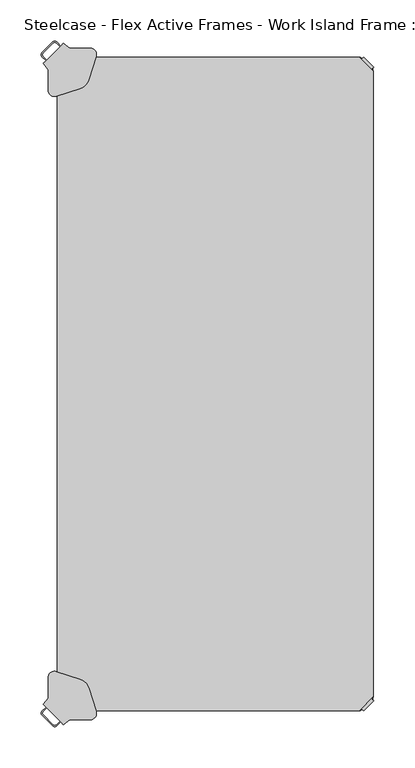
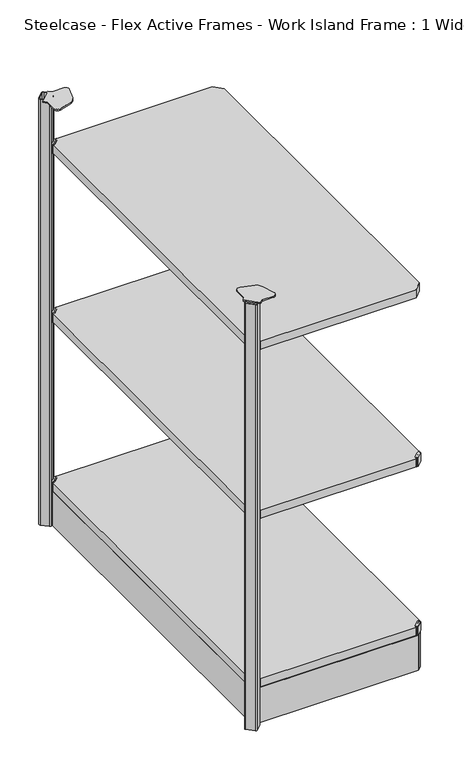
"""IFC4 building model written with IfcOpenShell, lengths in millimetres: furniture geometry, Steelcase - Flex Active Frames - Work Island Frame : 1 Wide - 2 Deep 2."""

from ifc_helpers import new_model, si_unit, point, frame, frame_2d, origin, place, context, project, spatial, polyline, circle_curve, trimmed, segment, composite_curve, outline, extrude, source, transform, mapped, element, save
from ifc_brep_helpers import plane_surface, cylinder_surface, revolved_surface, advanced_brep


def steelcase_flex_active_frames_work_island_frame_1_wide_2_deep_322297c8(model_context):
    return source(origin(), model_context, "Body", "SolidModel", [
        extrude(outline(composite_curve([segment(polyline([(369.3964357, -1.93874), (371.4844011, 0.1493247), (383.6787028, -12.044977), (381.590772, -14.1329326), (383.5617057, -16.1038431), (383.5495198, -17.203916), (380.8143812, -16.8384277)]), True, "CONTINUOUS"), segment(trimmed(circle_curve(frame_2d((381.6554366, -10.5443729)), 6.35), [point((380.8143812, -16.8384277))], [point((377.1652784, -15.0344708))], False, "CARTESIAN"), True, "CONTINUOUS"), segment(polyline([(377.1652784, -15.0344708), (368.4959854, -6.3650612)]), True, "CONTINUOUS"), segment(trimmed(circle_curve(frame_2d((372.9861436, -1.8749633)), 6.35), [point((368.4959854, -6.3650612))], [point((366.6921123, -2.7161946))], False, "CARTESIAN"), True, "CONTINUOUS"), segment(polyline([(366.6921123, -2.7161946), (366.32654, 0.0189911), (367.4264729, 0.0311996), (369.3964357, -1.93874)]), True, "CONTINUOUS")], self_intersect=False)), frame((0.0, 0.0, 496.4821468), z_axis=(0.0, 0.0, 1.0), x_axis=(1.0, 0.0, 0.0)), (0.0, 0.0, 1.0), 20.2281258),
        extrude(outline(composite_curve([segment(polyline([(369.3964357, -790.54126), (367.4264729, -792.5111996), (366.32654, -792.4989911), (366.6921123, -789.7638054)]), True, "CONTINUOUS"), segment(trimmed(circle_curve(frame_2d((372.9861436, -790.6050367)), 6.35), [point((366.6921123, -789.7638054))], [point((368.4959854, -786.1149388))], False, "CARTESIAN"), True, "CONTINUOUS"), segment(polyline([(368.4959854, -786.1149388), (377.1652784, -777.4455292)]), True, "CONTINUOUS"), segment(trimmed(circle_curve(frame_2d((381.6554366, -781.9356271)), 6.35), [point((377.1652784, -777.4455292))], [point((380.8143812, -775.6415723))], False, "CARTESIAN"), True, "CONTINUOUS"), segment(polyline([(380.8143812, -775.6415723), (383.5495198, -775.276084), (383.5617057, -776.3761569), (381.590772, -778.3470674), (383.6787028, -780.435023), (371.4844011, -792.6293247), (369.3964357, -790.54126)]), True, "CONTINUOUS")], self_intersect=False)), frame((0.0, 0.0, 496.4821468), z_axis=(0.0, 0.0, 1.0), x_axis=(1.0, 0.0, 0.0)), (0.0, 0.0, 1.0), 20.2281258),
        extrude(outline(composite_curve([segment(polyline([(369.3964357, -1.93874), (371.4844011, 0.1493247), (383.6787028, -12.044977), (381.590772, -14.1329326), (383.5617057, -16.1038431), (383.5495198, -17.203916), (380.8143812, -16.8384277)]), True, "CONTINUOUS"), segment(trimmed(circle_curve(frame_2d((381.6554366, -10.5443729)), 6.35), [point((380.8143812, -16.8384277))], [point((377.1652784, -15.0344708))], False, "CARTESIAN"), True, "CONTINUOUS"), segment(polyline([(377.1652784, -15.0344708), (368.4959854, -6.3650612)]), True, "CONTINUOUS"), segment(trimmed(circle_curve(frame_2d((372.9861436, -1.8749633)), 6.35), [point((368.4959854, -6.3650612))], [point((366.6921123, -2.7161946))], False, "CARTESIAN"), True, "CONTINUOUS"), segment(polyline([(366.6921123, -2.7161946), (366.32654, 0.0189911), (367.4264729, 0.0311996), (369.3964357, -1.93874)]), True, "CONTINUOUS")], self_intersect=False)), frame((0.0, 0.0, 96.4824829), z_axis=(0.0, 0.0, 1.0), x_axis=(1.0, 0.0, 0.0)), (0.0, 0.0, 1.0), 20.2281258),
        extrude(outline(composite_curve([segment(polyline([(369.3964357, -790.54126), (367.4264729, -792.5111996), (366.32654, -792.4989911), (366.6921123, -789.7638054)]), True, "CONTINUOUS"), segment(trimmed(circle_curve(frame_2d((372.9861436, -790.6050367)), 6.35), [point((366.6921123, -789.7638054))], [point((368.4959854, -786.1149388))], False, "CARTESIAN"), True, "CONTINUOUS"), segment(polyline([(368.4959854, -786.1149388), (377.1652784, -777.4455292)]), True, "CONTINUOUS"), segment(trimmed(circle_curve(frame_2d((381.6554366, -781.9356271)), 6.35), [point((377.1652784, -777.4455292))], [point((380.8143812, -775.6415723))], False, "CARTESIAN"), True, "CONTINUOUS"), segment(polyline([(380.8143812, -775.6415723), (383.5495198, -775.276084), (383.5617057, -776.3761569), (381.590772, -778.3470674), (383.6787028, -780.435023), (371.4844011, -792.6293247), (369.3964357, -790.54126)]), True, "CONTINUOUS")], self_intersect=False)), frame((0.0, 0.0, 96.4824829), z_axis=(0.0, 0.0, 1.0), x_axis=(1.0, 0.0, 0.0)), (0.0, 0.0, 1.0), 20.2281258),
        extrude(outline(polyline([(0.0003876, -775.2859914), (0.0003876, -17.1940086), (17.1943962, 0.0), (366.3456038, 0.0), (383.5396124, -17.1940086), (383.5396124, -775.2859914), (366.3456038, -792.48), (17.1943962, -792.48), (0.0003876, -775.2859914)])), frame((0.0, 0.0, 97.4999596), z_axis=(0.0, 0.0, 1.0), x_axis=(1.0, 0.0, 0.0)), (0.0, 0.0, 1.0), 19.0000031),
        extrude(outline(composite_curve([segment(polyline([(14.1435643, -1.93874), (16.1135271, 0.0311996), (17.21346, 0.0189911), (16.8478877, -2.7161946)]), True, "CONTINUOUS"), segment(trimmed(circle_curve(frame_2d((10.5538564, -1.8749633)), 6.35), [point((16.8478877, -2.7161946))], [point((15.0440146, -6.3650612))], False, "CARTESIAN"), True, "CONTINUOUS"), segment(polyline([(15.0440146, -6.3650612), (6.3747216, -15.0344708)]), True, "CONTINUOUS"), segment(trimmed(circle_curve(frame_2d((1.8845634, -10.5443729)), 6.35), [point((6.3747216, -15.0344708))], [point((2.7256188, -16.8384277))], False, "CARTESIAN"), True, "CONTINUOUS"), segment(polyline([(2.7256188, -16.8384277), (-0.0095198, -17.203916), (-0.0217057, -16.1038431), (1.949228, -14.1329326), (-0.1387028, -12.044977), (12.0555989, 0.1493247), (14.1435643, -1.93874)]), True, "CONTINUOUS")], self_intersect=False)), frame((0.0, 0.0, 96.4824829), z_axis=(0.0, 0.0, 1.0), x_axis=(1.0, 0.0, 0.0)), (0.0, 0.0, 1.0), 20.2281258),
        extrude(outline(composite_curve([segment(polyline([(14.1435643, -790.54126), (12.0555989, -792.6293247), (-0.1387028, -780.435023), (1.949228, -778.3470674), (-0.0217057, -776.3761569), (-0.0095198, -775.276084), (2.7256188, -775.6415723)]), True, "CONTINUOUS"), segment(trimmed(circle_curve(frame_2d((1.8845634, -781.9356271)), 6.35), [point((2.7256188, -775.6415723))], [point((6.3747216, -777.4455292))], False, "CARTESIAN"), True, "CONTINUOUS"), segment(polyline([(6.3747216, -777.4455292), (15.0440146, -786.1149388)]), True, "CONTINUOUS"), segment(trimmed(circle_curve(frame_2d((10.5538564, -790.6050367)), 6.35), [point((15.0440146, -786.1149388))], [point((16.8478877, -789.7638054))], False, "CARTESIAN"), True, "CONTINUOUS"), segment(polyline([(16.8478877, -789.7638054), (17.21346, -792.4989911), (16.1135271, -792.5111996), (14.1435643, -790.54126)]), True, "CONTINUOUS")], self_intersect=False)), frame((0.0, 0.0, 96.4824829), z_axis=(0.0, 0.0, 1.0), x_axis=(1.0, 0.0, 0.0)), (0.0, 0.0, 1.0), 20.2281258),
        extrude(outline(polyline([(0.0003876, -775.2859914), (0.0003876, -17.1940086), (17.1943962, 0.0), (366.3456038, 0.0), (383.5396124, -17.1940086), (383.5396124, -775.2859914), (366.3456038, -792.48), (17.1943962, -792.48), (0.0003876, -775.2859914)])), frame((0.0, 0.0, 497.4996235), z_axis=(0.0, 0.0, 1.0), x_axis=(1.0, 0.0, 0.0)), (0.0, 0.0, 1.0), 19.0000031),
        extrude(outline(composite_curve([segment(polyline([(14.1435643, -1.93874), (16.1135271, 0.0311996), (17.21346, 0.0189911), (16.8478877, -2.7161946)]), True, "CONTINUOUS"), segment(trimmed(circle_curve(frame_2d((10.5538564, -1.8749633)), 6.35), [point((16.8478877, -2.7161946))], [point((15.0440146, -6.3650612))], False, "CARTESIAN"), True, "CONTINUOUS"), segment(polyline([(15.0440146, -6.3650612), (6.3747216, -15.0344708)]), True, "CONTINUOUS"), segment(trimmed(circle_curve(frame_2d((1.8845634, -10.5443729)), 6.35), [point((6.3747216, -15.0344708))], [point((2.7256188, -16.8384277))], False, "CARTESIAN"), True, "CONTINUOUS"), segment(polyline([(2.7256188, -16.8384277), (-0.0095198, -17.203916), (-0.0217057, -16.1038431), (1.949228, -14.1329326), (-0.1387028, -12.044977), (12.0555989, 0.1493247), (14.1435643, -1.93874)]), True, "CONTINUOUS")], self_intersect=False)), frame((0.0, 0.0, 496.4821468), z_axis=(0.0, 0.0, 1.0), x_axis=(1.0, 0.0, 0.0)), (0.0, 0.0, 1.0), 20.2281258),
        extrude(outline(composite_curve([segment(polyline([(14.1435643, -790.54126), (12.0555989, -792.6293247), (-0.1387028, -780.435023), (1.949228, -778.3470674), (-0.0217057, -776.3761569), (-0.0095198, -775.276084), (2.7256188, -775.6415723)]), True, "CONTINUOUS"), segment(trimmed(circle_curve(frame_2d((1.8845634, -781.9356271)), 6.35), [point((2.7256188, -775.6415723))], [point((6.3747216, -777.4455292))], False, "CARTESIAN"), True, "CONTINUOUS"), segment(polyline([(6.3747216, -777.4455292), (15.0440146, -786.1149388)]), True, "CONTINUOUS"), segment(trimmed(circle_curve(frame_2d((10.5538564, -790.6050367)), 6.35), [point((15.0440146, -786.1149388))], [point((16.8478877, -789.7638054))], False, "CARTESIAN"), True, "CONTINUOUS"), segment(polyline([(16.8478877, -789.7638054), (17.21346, -792.4989911), (16.1135271, -792.5111996), (14.1435643, -790.54126)]), True, "CONTINUOUS")], self_intersect=False)), frame((0.0, 0.0, 496.4821468), z_axis=(0.0, 0.0, 1.0), x_axis=(1.0, 0.0, 0.0)), (0.0, 0.0, 1.0), 20.2281258),
        extrude(outline(polyline([(0.0003876, -775.2859914), (0.0003876, -17.1940086), (17.1943962, 0.0), (366.3456038, 0.0), (383.5396124, -17.1940086), (383.5396124, -775.2859914), (366.3456038, -792.48), (17.1943962, -792.48), (0.0003876, -775.2859914)])), frame((0.0, 0.0, 897.4997719), z_axis=(0.0, 0.0, 1.0), x_axis=(1.0, 0.0, 0.0)), (0.0, 0.0, 1.0), 19.0000031),
        extrude(outline(composite_curve([segment(polyline([(14.1435643, -1.93874), (16.1135271, 0.0311996), (17.21346, 0.0189911), (16.8478877, -2.7161946)]), True, "CONTINUOUS"), segment(trimmed(circle_curve(frame_2d((10.5538564, -1.8749633)), 6.35), [point((16.8478877, -2.7161946))], [point((15.0440146, -6.3650612))], False, "CARTESIAN"), True, "CONTINUOUS"), segment(polyline([(15.0440146, -6.3650612), (6.3747216, -15.0344708)]), True, "CONTINUOUS"), segment(trimmed(circle_curve(frame_2d((1.8845634, -10.5443729)), 6.35), [point((6.3747216, -15.0344708))], [point((2.7256188, -16.8384277))], False, "CARTESIAN"), True, "CONTINUOUS"), segment(polyline([(2.7256188, -16.8384277), (-0.0095198, -17.203916), (-0.0217057, -16.1038431), (1.949228, -14.1329326), (-0.1387028, -12.044977), (12.0555989, 0.1493247), (14.1435643, -1.93874)]), True, "CONTINUOUS")], self_intersect=False)), frame((0.0, 0.0, 896.4822952), z_axis=(0.0, 0.0, 1.0), x_axis=(1.0, 0.0, 0.0)), (0.0, 0.0, 1.0), 20.2281258),
        extrude(outline(composite_curve([segment(polyline([(14.1435643, -790.54126), (12.0555989, -792.6293247), (-0.1387028, -780.435023), (1.949228, -778.3470674), (-0.0217057, -776.3761569), (-0.0095198, -775.276084), (2.7256188, -775.6415723)]), True, "CONTINUOUS"), segment(trimmed(circle_curve(frame_2d((1.8845634, -781.9356271)), 6.35), [point((2.7256188, -775.6415723))], [point((6.3747216, -777.4455292))], False, "CARTESIAN"), True, "CONTINUOUS"), segment(polyline([(6.3747216, -777.4455292), (15.0440146, -786.1149388)]), True, "CONTINUOUS"), segment(trimmed(circle_curve(frame_2d((10.5538564, -790.6050367)), 6.35), [point((15.0440146, -786.1149388))], [point((16.8478877, -789.7638054))], False, "CARTESIAN"), True, "CONTINUOUS"), segment(polyline([(16.8478877, -789.7638054), (17.21346, -792.4989911), (16.1135271, -792.5111996), (14.1435643, -790.54126)]), True, "CONTINUOUS")], self_intersect=False)), frame((0.0, 0.0, 896.4822952), z_axis=(0.0, 0.0, 1.0), x_axis=(1.0, 0.0, 0.0)), (0.0, 0.0, 1.0), 20.2281258),
        extrude(outline(composite_curve([segment(polyline([(12.155908, -1.0018273), (371.4065262, -1.0019264)]), True, "CONTINUOUS"), segment(trimmed(circle_curve(frame_2d((371.3840926, -3.5418273)), 2.54), [point((371.4065262, -1.0019264))], [point((373.1801439, -1.7457761))], False, "CARTESIAN"), True, "CONTINUOUS"), segment(polyline([(373.1801439, -1.7457761), (381.7884839, -10.3541161)]), True, "CONTINUOUS"), segment(trimmed(circle_curve(frame_2d((379.9924327, -12.1501673)), 2.54), [point((381.7884839, -10.3541161))], [point((382.5324327, -12.1501687))], False, "CARTESIAN"), True, "CONTINUOUS"), segment(polyline([(382.5324327, -12.1501687), (382.5322349, -780.3615295)]), True, "CONTINUOUS"), segment(trimmed(circle_curve(frame_2d((379.9924327, -780.3298327)), 2.54), [point((382.5322349, -780.3615295))], [point((381.7884839, -782.1258839))], False, "CARTESIAN"), True, "CONTINUOUS"), segment(polyline([(381.7884839, -782.1258839), (373.1801439, -790.7342239)]), True, "CONTINUOUS"), segment(trimmed(circle_curve(frame_2d((371.3840926, -788.9381727)), 2.54), [point((373.1801439, -790.7342239))], [point((371.4065262, -791.4780736))], False, "CARTESIAN"), True, "CONTINUOUS"), segment(polyline([(371.4065262, -791.4780736), (12.155908, -791.4781727)]), True, "CONTINUOUS"), segment(trimmed(circle_curve(frame_2d((12.1559074, -788.9381727)), 2.54), [point((12.155908, -791.4781727))], [point((10.3598561, -790.7342239))], False, "CARTESIAN"), True, "CONTINUOUS"), segment(polyline([(10.3598561, -790.7342239), (1.7515161, -782.1258839)]), True, "CONTINUOUS"), segment(trimmed(circle_curve(frame_2d((3.5475673, -780.3298327)), 2.54), [point((1.7515161, -782.1258839))], [point((1.0077651, -780.3615295))], False, "CARTESIAN"), True, "CONTINUOUS"), segment(polyline([(1.0077651, -780.3615295), (1.0075673, -12.1501687)]), True, "CONTINUOUS"), segment(trimmed(circle_curve(frame_2d((3.5475673, -12.1501673)), 2.54), [point((1.0075673, -12.1501687))], [point((1.7515161, -10.3541161))], False, "CARTESIAN"), True, "CONTINUOUS"), segment(polyline([(1.7515161, -10.3541161), (10.3598561, -1.7457761)]), True, "CONTINUOUS"), segment(trimmed(circle_curve(frame_2d((12.1559074, -3.5418273)), 2.54), [point((10.3598561, -1.7457761))], [point((12.155908, -1.0018273))], False, "CARTESIAN"), True, "CONTINUOUS")], self_intersect=False)), frame((0.0, 0.0, 12.5999909), z_axis=(0.0, 0.0, 1.0), x_axis=(1.0, 0.0, 0.0)), (0.0, 0.0, 1.0), 82.39977),
        advanced_brep(
        [(-18.5290767, 5.1536029, 1021.9997307), (-18.5290505, 0.8430799, 1021.9997307), (-13.6142669, -4.0716438, 1021.9997307), (-17.0652617, -7.5233295, 1021.9997307), (-10.9890821, -14.9855194, 1021.9997307), (-10.9889425, -40.0111633, 1021.9997307), (-1.0706201, -47.2762508, 1021.9997307), (27.4702561, -38.2473507, 1021.9997307), (38.2322093, -27.4842379, 1021.9997307), (47.258394, 1.0587489, 1021.9997307), (39.9930987, 10.9762884, 1021.9997307), (14.9749338, 10.9765587, 1021.9997307), (7.5669051, 17.1137694, 1021.9997307), (4.0570852, 13.6032467, 1021.9997307), (-0.8559936, 18.5163256, 1021.9997307), (-5.1665297, 18.5163124, 1021.9997307), (-16.5637788, 5.1536214, 1021.9997307), (-5.1663372, 16.5510629, 1021.9997307), (-0.8557986, 16.5510473, 1021.9997307), (3.0746134, 12.6205781, 1021.9997307), (-12.631731, -3.0889111, 1021.9997307), (-16.5637683, 0.843088, 1021.9997307), (-18.5290767, 5.1536029, 12.5999909), (-5.1665297, 18.5163124, 12.5999909), (-0.8559936, 18.5163256, 12.5999909), (12.5067035, 5.1536284, 12.5999909), (12.5067144, 0.8431164, 12.5999909), (-0.8557649, -12.5194983, 12.5999909), (-5.1662856, -12.5195224, 12.5999909), (-18.5290505, 0.8430799, 12.5999909), (-16.5637788, 5.1536214, 12.5999909), (-16.5637683, 0.843088, 12.5999909), (-5.16628, -10.5542897, 12.5999909), (-0.8557675, -10.5542792, 12.5999909), (10.5415357, 0.843024, 12.5999909), (10.5415514, 5.1535313, 12.5999909), (-0.8557986, 16.5510473, 12.5999909), (-5.1663372, 16.5510629, 12.5999909), (-5.1662856, -12.5195224, 1019.0034988), (-13.6142669, -4.0716438, 1019.0034988), (-0.8557649, -12.5194983, 1019.0034988), (12.5067144, 0.8431164, 1019.0034988), (12.5067035, 5.1536284, 1019.0034988), (4.0570852, 13.6032467, 1019.0034988), (10.5415514, 5.1535313, 1019.0034988), (3.0746134, 12.6205781, 1019.0034988), (10.5415357, 0.843024, 1019.0034988), (-0.8557675, -10.5542792, 1019.0034988), (-5.16628, -10.5542897, 1019.0034988), (-12.631731, -3.0889111, 1019.0034988), (7.5669051, 17.1137694, 1019.0034988), (14.9749338, 10.9765587, 1019.0034988), (39.9930987, 10.9762884, 1019.0034988), (47.258394, 1.0587489, 1019.0034988), (38.2322093, -27.4842379, 1019.0034988), (27.4702561, -38.2473507, 1019.0034988), (-1.0706201, -47.2762508, 1019.0034988), (-10.9889425, -40.0111633, 1019.0034988), (-10.9890821, -14.9855194, 1019.0034988), (-17.0652617, -7.5233295, 1019.0034988)],
        [
            (0, 1, circle_curve(frame((-16.3738021, 2.9983545, 1021.9997307), z_axis=(0.0, 0.0, 1.0), x_axis=(1.0, 0.0, 0.0)), 3.048)),
            (1, 2),
            (2, 3),
            (3, 4),
            (4, 5),
            (5, 6, circle_curve(frame((-3.3689425, -40.0111207, 1021.9997307), z_axis=(0.0, 0.0, 1.0), x_axis=(1.0, 0.0, 0.0)), 7.62)),
            (6, 7),
            (7, 8, circle_curve(frame((22.4905578, -22.5062356, 1021.9997307), z_axis=(0.0, 0.0, 1.0), x_axis=(1.0, 0.0, 0.0)), 16.51)),
            (8, 9),
            (9, 10, circle_curve(frame((39.9930164, 3.3562884, 1021.9997307), z_axis=(0.0, 0.0, 1.0), x_axis=(1.0, 0.0, 0.0)), 7.62)),
            (10, 11),
            (11, 12),
            (12, 13),
            (13, 14),
            (14, 15, circle_curve(frame((-3.0112551, 16.3610641, 1021.9997307), z_axis=(0.0, 0.0, 1.0), x_axis=(1.0, 0.0, 0.0)), 3.048)),
            (15, 0),
            (16, 17),
            (17, 18, circle_curve(frame((-3.0110758, 14.3958015, 1021.9997307), z_axis=(0.0, 0.0, -1.0), x_axis=(1.0, 0.0, 0.0)), 3.048)),
            (18, 19),
            (19, 20),
            (20, 21),
            (21, 16, circle_curve(frame((-14.4085173, 2.9983599, 1021.9997307), z_axis=(0.0, 0.0, -1.0), x_axis=(1.0, 0.0, 0.0)), 3.048)),
            (22, 23),
            (23, 24, circle_curve(frame((-3.0112551, 16.3610641, 12.5999909), z_axis=(0.0, 0.0, -1.0), x_axis=(1.0, 0.0, 0.0)), 3.048)),
            (24, 25),
            (25, 26, circle_curve(frame((10.351442, 2.998367, 12.5999909), z_axis=(0.0, 0.0, -1.0), x_axis=(1.0, 0.0, 0.0)), 3.048)),
            (26, 27),
            (27, 28, circle_curve(frame((-3.0110373, -10.3642478, 12.5999909), z_axis=(0.0, 0.0, -1.0), x_axis=(1.0, 0.0, 0.0)), 3.048)),
            (28, 29),
            (29, 22, circle_curve(frame((-16.3738021, 2.9983545, 12.5999909), z_axis=(0.0, 0.0, -1.0), x_axis=(1.0, 0.0, 0.0)), 3.048)),
            (30, 31, circle_curve(frame((-14.4085173, 2.9983599, 12.5999909), z_axis=(0.0, 0.0, 1.0), x_axis=(1.0, 0.0, 0.0)), 3.048)),
            (31, 32),
            (32, 33, circle_curve(frame((-3.011029, -8.3990177, 12.5999909), z_axis=(0.0, 0.0, 1.0), x_axis=(1.0, 0.0, 0.0)), 3.048)),
            (33, 34),
            (34, 35, circle_curve(frame((8.3862743, 2.9982855, 12.5999909), z_axis=(0.0, 0.0, 1.0), x_axis=(1.0, 0.0, 0.0)), 3.048)),
            (35, 36),
            (36, 37, circle_curve(frame((-3.0110758, 14.3958015, 12.5999909), z_axis=(0.0, 0.0, 1.0), x_axis=(1.0, 0.0, 0.0)), 3.048)),
            (37, 30),
            (0, 22),
            (29, 1),
            (28, 38),
            (38, 39),
            (39, 2),
            (27, 40),
            (40, 38, circle_curve(frame((-3.0110373, -10.3642478, 1019.0034988), z_axis=(0.0, 0.0, -1.0), x_axis=(1.0, 0.0, 0.0)), 3.048)),
            (26, 41),
            (41, 40),
            (25, 42),
            (42, 41, circle_curve(frame((10.351442, 2.998367, 1019.0034988), z_axis=(0.0, 0.0, -1.0), x_axis=(1.0, 0.0, 0.0)), 3.048)),
            (24, 14),
            (13, 43),
            (43, 42),
            (23, 15),
            (16, 30),
            (37, 17),
            (36, 18),
            (35, 44),
            (44, 45),
            (45, 19),
            (34, 46),
            (46, 44, circle_curve(frame((8.3862743, 2.9982855, 1019.0034988), z_axis=(0.0, 0.0, 1.0), x_axis=(1.0, 0.0, 0.0)), 3.048)),
            (33, 47),
            (47, 46),
            (32, 48),
            (48, 47, circle_curve(frame((-3.011029, -8.3990177, 1019.0034988), z_axis=(0.0, 0.0, 1.0), x_axis=(1.0, 0.0, 0.0)), 3.048)),
            (31, 21),
            (20, 49),
            (49, 48),
            (50, 51),
            (51, 52),
            (52, 53, circle_curve(frame((39.9930164, 3.3562884, 1019.0034988), z_axis=(0.0, 0.0, -1.0), x_axis=(1.0, 0.0, 0.0)), 7.62)),
            (53, 54),
            (54, 55, circle_curve(frame((22.4905578, -22.5062356, 1019.0034988), z_axis=(0.0, 0.0, -1.0), x_axis=(1.0, 0.0, 0.0)), 16.51)),
            (55, 56),
            (56, 57, circle_curve(frame((-3.3689425, -40.0111207, 1019.0034988), z_axis=(0.0, 0.0, -1.0), x_axis=(1.0, 0.0, 0.0)), 7.62)),
            (57, 58),
            (58, 59),
            (59, 39),
            (43, 50),
            (49, 45),
            (12, 50),
            (59, 3),
            (58, 4),
            (57, 5),
            (56, 6),
            (55, 7),
            (54, 8),
            (53, 9),
            (52, 10),
            (51, 11),
        ],
        [
            plane_surface(frame((-13.3258021, 2.9983545, 1021.9997307), z_axis=(0.0, 0.0, 1.0), x_axis=(0.0, 1.0, 0.0))),
            plane_surface(frame((-13.3258021, 2.9983545, 12.5999909), z_axis=(0.0, 0.0, -1.0), x_axis=(0.0, -1.0, 0.0))),
            cylinder_surface(frame((-16.3738021, 2.9983545, 12.5999909), z_axis=(0.0, 0.0, 1.0), x_axis=(1.0, 0.0, 0.0)), 3.048),
            plane_surface(frame((-18.5290505, 0.8430799, 1021.9997307), z_axis=(-0.7071024799413723, -0.7071110824055591, 0.0), x_axis=(0.0, 0.0, -1.0))),
            cylinder_surface(frame((-3.0110373, -10.3642478, 12.5999909), z_axis=(0.0, 0.0, 1.0), x_axis=(1.0, 0.0, 0.0)), 3.048),
            plane_surface(frame((-0.8557649, -12.5194983, 1021.9997307), z_axis=(0.7071103654975404, -0.7071031968573858, 0.0), x_axis=(0.0, 0.0, -1.0))),
            cylinder_surface(frame((10.351442, 2.998367, 12.5999909), z_axis=(0.0, 0.0, 1.0), x_axis=(1.0, 0.0, 0.0)), 3.048),
            plane_surface(frame((12.5067035, 5.1536284, 1021.9997307), z_axis=(0.7071067811865476, 0.7071067811865476, 0.0), x_axis=(0.0, 0.0, -1.0))),
            cylinder_surface(frame((-3.0112551, 16.3610641, 12.5999909), z_axis=(0.0, 0.0, 1.0), x_axis=(1.0, 0.0, 0.0)), 3.048),
            plane_surface(frame((-5.1665297, 18.5163124, 1021.9997307), z_axis=(-0.7071110823880841, 0.7071024799588475, 0.0), x_axis=(0.0, 0.0, -1.0))),
            plane_surface(frame((-16.5637788, 5.1536214, 1021.9997307), z_axis=(0.7071067811865476, -0.7071067811865476, 0.0), x_axis=(0.0, 0.0, -1.0))),
            revolved_surface(polyline([(0.036924200000000074, 14.3958015, 12.5999909), (0.036924200000000074, 14.3958015, 1021.9997307)]), (-3.0110758, 14.3958015, 0.0), (0.0, 0.0, -1.0)),
            plane_surface(frame((-0.8557986, 16.5510473, 1021.9997307), z_axis=(-0.7071119292163862, -0.7071016331192288, 0.0), x_axis=(0.0, 0.0, -1.0))),
            revolved_surface(polyline([(11.4342743, 2.9982855, 12.5999909), (11.4342743, 2.9982855, 1019.0034988)]), (8.3862743, 2.9982855, 0.0), (0.0, 0.0, -1.0)),
            plane_surface(frame((10.5415357, 0.843024, 1021.9997307), z_axis=(-0.7071067811865476, 0.7071067811865476, 0.0), x_axis=(0.0, 0.0, -1.0))),
            revolved_surface(polyline([(0.036970999999999865, -8.3990177, 12.5999909), (0.036970999999999865, -8.3990177, 1019.0034988)]), (-3.011029, -8.3990177, 0.0), (0.0, 0.0, -1.0)),
            plane_surface(frame((-5.16628, -10.5542897, 1021.9997307), z_axis=(0.7071033492041437, 0.707110213152294, 0.0), x_axis=(0.0, 0.0, -1.0))),
            revolved_surface(polyline([(-11.3605173, 2.9983599, 12.5999909), (-11.3605173, 2.9983599, 1021.9997307)]), (-14.4085173, 2.9983599, 0.0), (0.0, 0.0, -1.0)),
            plane_surface(frame((-5.2094931, 4.3348129, 1019.0034988), z_axis=(0.0, 0.0, -1.0), x_axis=(0.7070359925692735, 0.7071775627178667, 0.0))),
            plane_surface(frame((7.5669051, 17.1137694, 1021.9997307), z_axis=(-0.7071775627178667, 0.7070359925692735, 0.0), x_axis=(0.0, 0.0, -1.0))),
            plane_surface(frame((-17.0652617, -7.5233295, 1021.9997307), z_axis=(-0.7754447692196447, -0.631415402005599, 0.0), x_axis=(0.0, 0.0, -1.0))),
            plane_surface(frame((-10.9890821, -14.9855194, 1021.9997307), z_axis=(-0.9999999999844242, -5.581369368137547e-06, 0.0), x_axis=(0.0, 0.0, -1.0))),
            cylinder_surface(frame((-3.3689425, -40.0111207, 1019.0034988), z_axis=(0.0, 0.0, 1.0), x_axis=(1.0, 0.0, 0.0)), 7.62),
            plane_surface(frame((-1.0706201, -47.2762508, 1021.9997307), z_axis=(0.30161710398598673, -0.9534291387319282, 0.0), x_axis=(0.0, 0.0, -1.0))),
            cylinder_surface(frame((22.4905578, -22.5062356, 1019.0034988), z_axis=(0.0, 0.0, 1.0), x_axis=(1.0, 0.0, 0.0)), 16.51),
            plane_surface(frame((38.2322093, -27.4842379, 1021.9997307), z_axis=(0.9534616310857681, -0.30151437452842406, 0.0), x_axis=(0.0, 0.0, -1.0))),
            cylinder_surface(frame((39.9930164, 3.3562884, 1019.0034988), z_axis=(0.0, 0.0, 1.0), x_axis=(1.0, 0.0, 0.0)), 7.62),
            plane_surface(frame((39.9930987, 10.9762884, 1021.9997307), z_axis=(1.0801644007053796e-05, 0.9999999999416623, 0.0), x_axis=(0.0, 0.0, -1.0))),
            plane_surface(frame((14.9749338, 10.9765587, 1021.9997307), z_axis=(0.6379642264562713, 0.7700660009129422, 0.0), x_axis=(0.0, 0.0, -1.0))),
        ],
        [
            (0, [[1, 2, 3, 4, 5, 6, 7, 8, 9, 10, 11, 12, 13, 14, 15, 16], [17, 18, 19, 20, 21, 22]]),
            (1, [[23, 24, 25, 26, 27, 28, 29, 30], [31, 32, 33, 34, 35, 36, 37, 38]]),
            (2, [[-1, 39, -30, 40]]),
            (3, [[-29, 41, 42, 43, -2, -40]]),
            (4, [[-28, 44, 45, -41]]),
            (5, [[-27, 46, 47, -44]]),
            (6, [[-26, 48, 49, -46]]),
            (7, [[-25, 50, -14, 51, 52, -48]]),
            (8, [[-15, -50, -24, 53]]),
            (9, [[-16, -53, -23, -39]]),
            (10, [[-17, 54, -38, 55]]),
            (11, [[-18, -55, -37, 56]]),
            (12, [[-36, 57, 58, 59, -19, -56]]),
            (13, [[-35, 60, 61, -57]]),
            (14, [[-34, 62, 63, -60]]),
            (15, [[-33, 64, 65, -62]]),
            (16, [[-32, 66, -21, 67, 68, -64]]),
            (17, [[-22, -66, -31, -54]]),
            (18, [[69, 70, 71, 72, 73, 74, 75, 76, 77, 78, -42, -45, -47, -49, -52, 79]]),
            (18, [[80, -58, -61, -63, -65, -68]]),
            (19, [[-20, -59, -80, -67]]),
            (19, [[81, -79, -51, -13]]),
            (19, [[82, -3, -43, -78]]),
            (20, [[-4, -82, -77, 83]]),
            (21, [[-5, -83, -76, 84]]),
            (22, [[-6, -84, -75, 85]]),
            (23, [[-7, -85, -74, 86]]),
            (24, [[-8, -86, -73, 87]]),
            (25, [[-9, -87, -72, 88]]),
            (26, [[-10, -88, -71, 89]]),
            (27, [[-11, -89, -70, 90]]),
            (28, [[-12, -90, -69, -81]]),
        ],
    ),
        advanced_brep(
        [(-18.5290767, -797.6336029, 1021.9997307), (-5.1665297, -810.9963124, 1021.9997307), (-0.8559936, -810.9963256, 1021.9997307), (4.0570852, -806.0832467, 1021.9997307), (7.5669051, -809.5937694, 1021.9997307), (14.9749338, -803.4565587, 1021.9997307), (39.9930987, -803.4562884, 1021.9997307), (47.258394, -793.5387489, 1021.9997307), (38.2322093, -764.9957621, 1021.9997307), (27.4702561, -754.2326493, 1021.9997307), (-1.0706201, -745.2037492, 1021.9997307), (-10.9889425, -752.4688367, 1021.9997307), (-10.9890821, -777.4944806, 1021.9997307), (-17.0652617, -784.9566705, 1021.9997307), (-13.6142669, -788.4083562, 1021.9997307), (-18.5290505, -793.3230799, 1021.9997307), (-16.5637788, -797.6336214, 1021.9997307), (-16.5637683, -793.323088, 1021.9997307), (-12.631731, -789.3910889, 1021.9997307), (3.0746134, -805.1005781, 1021.9997307), (-0.8557986, -809.0310473, 1021.9997307), (-5.1663372, -809.0310629, 1021.9997307), (-18.5290767, -797.6336029, 12.5999909), (-18.5290505, -793.3230799, 12.5999909), (-5.1662856, -779.9604776, 12.5999909), (-0.8557649, -779.9605017, 12.5999909), (12.5067144, -793.3231164, 12.5999909), (12.5067035, -797.6336284, 12.5999909), (-0.8559936, -810.9963256, 12.5999909), (-5.1665297, -810.9963124, 12.5999909), (-16.5637788, -797.6336214, 12.5999909), (-5.1663372, -809.0310629, 12.5999909), (-0.8557986, -809.0310473, 12.5999909), (10.5415514, -797.6335313, 12.5999909), (10.5415357, -793.323024, 12.5999909), (-0.8557675, -781.9257208, 12.5999909), (-5.16628, -781.9257103, 12.5999909), (-16.5637683, -793.323088, 12.5999909), (12.5067035, -797.6336284, 1019.0034988), (4.0570852, -806.0832467, 1019.0034988), (12.5067144, -793.3231164, 1019.0034988), (-0.8557649, -779.9605017, 1019.0034988), (-5.1662856, -779.9604776, 1019.0034988), (-13.6142669, -788.4083562, 1019.0034988), (-5.16628, -781.9257103, 1019.0034988), (-12.631731, -789.3910889, 1019.0034988), (-0.8557675, -781.9257208, 1019.0034988), (10.5415357, -793.323024, 1019.0034988), (10.5415514, -797.6335313, 1019.0034988), (3.0746134, -805.1005781, 1019.0034988), (-17.0652617, -784.9566705, 1019.0034988), (-10.9890821, -777.4944806, 1019.0034988), (-10.9889425, -752.4688367, 1019.0034988), (-1.0706201, -745.2037492, 1019.0034988), (27.4702561, -754.2326493, 1019.0034988), (38.2322093, -764.9957621, 1019.0034988), (47.258394, -793.5387489, 1019.0034988), (39.9930987, -803.4562884, 1019.0034988), (14.9749338, -803.4565587, 1019.0034988), (7.5669051, -809.5937694, 1019.0034988)],
        [
            (0, 1),
            (1, 2, circle_curve(frame((-3.0112551, -808.8410641, 1021.9997307), z_axis=(0.0, 0.0, 1.0), x_axis=(1.0, 0.0, 0.0)), 3.048)),
            (2, 3),
            (3, 4),
            (4, 5),
            (5, 6),
            (6, 7, circle_curve(frame((39.9930164, -795.8362884, 1021.9997307), z_axis=(0.0, 0.0, 1.0), x_axis=(1.0, 0.0, 0.0)), 7.62)),
            (7, 8),
            (8, 9, circle_curve(frame((22.4905578, -769.9737644, 1021.9997307), z_axis=(0.0, 0.0, 1.0), x_axis=(1.0, 0.0, 0.0)), 16.51)),
            (9, 10),
            (10, 11, circle_curve(frame((-3.3689425, -752.4688793, 1021.9997307), z_axis=(0.0, 0.0, 1.0), x_axis=(1.0, 0.0, 0.0)), 7.62)),
            (11, 12),
            (12, 13),
            (13, 14),
            (14, 15),
            (15, 0, circle_curve(frame((-16.3738021, -795.4783545, 1021.9997307), z_axis=(0.0, 0.0, 1.0), x_axis=(1.0, 0.0, 0.0)), 3.048)),
            (16, 17, circle_curve(frame((-14.4085173, -795.4783599, 1021.9997307), z_axis=(0.0, 0.0, -1.0), x_axis=(1.0, 0.0, 0.0)), 3.048)),
            (17, 18),
            (18, 19),
            (19, 20),
            (20, 21, circle_curve(frame((-3.0110758, -806.8758015, 1021.9997307), z_axis=(0.0, 0.0, -1.0), x_axis=(1.0, 0.0, 0.0)), 3.048)),
            (21, 16),
            (22, 23, circle_curve(frame((-16.3738021, -795.4783545, 12.5999909), z_axis=(0.0, 0.0, -1.0), x_axis=(1.0, 0.0, 0.0)), 3.048)),
            (23, 24),
            (24, 25, circle_curve(frame((-3.0110373, -782.1157522, 12.5999909), z_axis=(0.0, 0.0, -1.0), x_axis=(1.0, 0.0, 0.0)), 3.048)),
            (25, 26),
            (26, 27, circle_curve(frame((10.351442, -795.478367, 12.5999909), z_axis=(0.0, 0.0, -1.0), x_axis=(1.0, 0.0, 0.0)), 3.048)),
            (27, 28),
            (28, 29, circle_curve(frame((-3.0112551, -808.8410641, 12.5999909), z_axis=(0.0, 0.0, -1.0), x_axis=(1.0, 0.0, 0.0)), 3.048)),
            (29, 22),
            (30, 31),
            (31, 32, circle_curve(frame((-3.0110758, -806.8758015, 12.5999909), z_axis=(0.0, 0.0, 1.0), x_axis=(1.0, 0.0, 0.0)), 3.048)),
            (32, 33),
            (33, 34, circle_curve(frame((8.3862743, -795.4782855, 12.5999909), z_axis=(0.0, 0.0, 1.0), x_axis=(1.0, 0.0, 0.0)), 3.048)),
            (34, 35),
            (35, 36, circle_curve(frame((-3.011029, -784.0809823, 12.5999909), z_axis=(0.0, 0.0, 1.0), x_axis=(1.0, 0.0, 0.0)), 3.048)),
            (36, 37),
            (37, 30, circle_curve(frame((-14.4085173, -795.4783599, 12.5999909), z_axis=(0.0, 0.0, 1.0), x_axis=(1.0, 0.0, 0.0)), 3.048)),
            (0, 22),
            (29, 1),
            (28, 2),
            (27, 38),
            (38, 39),
            (39, 3),
            (26, 40),
            (40, 38, circle_curve(frame((10.351442, -795.478367, 1019.0034988), z_axis=(0.0, 0.0, -1.0), x_axis=(1.0, 0.0, 0.0)), 3.048)),
            (25, 41),
            (41, 40),
            (24, 42),
            (42, 41, circle_curve(frame((-3.0110373, -782.1157522, 1019.0034988), z_axis=(0.0, 0.0, -1.0), x_axis=(1.0, 0.0, 0.0)), 3.048)),
            (23, 15),
            (14, 43),
            (43, 42),
            (16, 30),
            (37, 17),
            (36, 44),
            (44, 45),
            (45, 18),
            (35, 46),
            (46, 44, circle_curve(frame((-3.011029, -784.0809823, 1019.0034988), z_axis=(0.0, 0.0, 1.0), x_axis=(1.0, 0.0, 0.0)), 3.048)),
            (34, 47),
            (47, 46),
            (33, 48),
            (48, 47, circle_curve(frame((8.3862743, -795.4782855, 1019.0034988), z_axis=(0.0, 0.0, 1.0), x_axis=(1.0, 0.0, 0.0)), 3.048)),
            (32, 20),
            (19, 49),
            (49, 48),
            (31, 21),
            (50, 51),
            (51, 52),
            (52, 53, circle_curve(frame((-3.3689425, -752.4688793, 1019.0034988), z_axis=(0.0, 0.0, -1.0), x_axis=(1.0, 0.0, 0.0)), 7.62)),
            (53, 54),
            (54, 55, circle_curve(frame((22.4905578, -769.9737644, 1019.0034988), z_axis=(0.0, 0.0, -1.0), x_axis=(1.0, 0.0, 0.0)), 16.51)),
            (55, 56),
            (56, 57, circle_curve(frame((39.9930164, -795.8362884, 1019.0034988), z_axis=(0.0, 0.0, -1.0), x_axis=(1.0, 0.0, 0.0)), 7.62)),
            (57, 58),
            (58, 59),
            (59, 39),
            (43, 50),
            (49, 45),
            (4, 59),
            (58, 5),
            (57, 6),
            (56, 7),
            (55, 8),
            (54, 9),
            (53, 10),
            (52, 11),
            (51, 12),
            (50, 13),
        ],
        [
            plane_surface(frame((-13.3258021, 2.9983545, 1021.9997307), z_axis=(0.0, 0.0, 1.0), x_axis=(0.0, 1.0, 0.0))),
            plane_surface(frame((-13.3258021, 2.9983545, 12.5999909), z_axis=(0.0, 0.0, -1.0), x_axis=(0.0, -1.0, 0.0))),
            plane_surface(frame((-18.5290767, -797.6336029, 1021.9997307), z_axis=(-0.707111082388071, -0.7071024799588607, 0.0), x_axis=(0.0, 0.0, -1.0))),
            cylinder_surface(frame((-3.0112551, -808.8410641, 0.0), z_axis=(0.0, 0.0, 1.0), x_axis=(1.0, 0.0, 0.0)), 3.048),
            plane_surface(frame((-0.8559936, -810.9963256, 1021.9997307), z_axis=(0.7071067811865434, -0.7071067811865518, 0.0), x_axis=(0.0, 0.0, -1.0))),
            cylinder_surface(frame((10.351442, -795.478367, 0.0), z_axis=(0.0, 0.0, 1.0), x_axis=(1.0, 0.0, 0.0)), 3.048),
            plane_surface(frame((12.5067144, -793.3231164, 1021.9997307), z_axis=(0.7071103654975505, 0.7071031968573757, 0.0), x_axis=(0.0, 0.0, -1.0))),
            cylinder_surface(frame((-3.0110373, -782.1157522, 0.0), z_axis=(0.0, 0.0, 1.0), x_axis=(1.0, 0.0, 0.0)), 3.048),
            plane_surface(frame((-5.1662856, -779.9604776, 1021.9997307), z_axis=(-0.7071024799413879, 0.7071110824055434, 0.0), x_axis=(0.0, 0.0, -1.0))),
            cylinder_surface(frame((-16.3738021, -795.4783545, 0.0), z_axis=(0.0, 0.0, 1.0), x_axis=(1.0, 0.0, 0.0)), 3.048),
            revolved_surface(polyline([(-11.3605173, -795.4783599, 12.5999909), (-11.3605173, -795.4783599, 1021.9997307)]), (-14.4085173, -795.4783599, 0.0), (0.0, 0.0, -1.0)),
            plane_surface(frame((-16.5637683, -793.323088, 1021.9997307), z_axis=(0.7071033492041598, -0.7071102131522781, 0.0), x_axis=(0.0, 0.0, -1.0))),
            revolved_surface(polyline([(0.036970999999999865, -784.0809823, 12.5999909), (0.036970999999999865, -784.0809823, 1019.0034988)]), (-3.011029, -784.0809823, 0.0), (0.0, 0.0, -1.0)),
            plane_surface(frame((-0.8557675, -781.9257208, 1021.9997307), z_axis=(-0.7071067811865618, -0.7071067811865334, 0.0), x_axis=(0.0, 0.0, -1.0))),
            revolved_surface(polyline([(11.4342743, -795.4782855, 12.5999909), (11.4342743, -795.4782855, 1019.0034988)]), (8.3862743, -795.4782855, 0.0), (0.0, 0.0, -1.0)),
            plane_surface(frame((10.5415514, -797.6335313, 1021.9997307), z_axis=(-0.7071119292163742, 0.7071016331192407, 0.0), x_axis=(0.0, 0.0, -1.0))),
            revolved_surface(polyline([(0.036924200000000074, -806.8758015, 12.5999909), (0.036924200000000074, -806.8758015, 1021.9997307)]), (-3.0110758, -806.8758015, 0.0), (0.0, 0.0, -1.0)),
            plane_surface(frame((-5.1663372, -809.0310629, 1021.9997307), z_axis=(0.7071067811865395, 0.7071067811865557, 0.0), x_axis=(0.0, 0.0, -1.0))),
            plane_surface(frame((-5.2094931, 4.3348129, 1019.0034988), z_axis=(0.0, 0.0, -1.0), x_axis=(0.7070359925692735, 0.7071775627178667, 0.0))),
            plane_surface(frame((7.5669051, -809.5937694, 1021.9997307), z_axis=(0.6379642264562665, -0.7700660009129461, 0.0), x_axis=(0.0, 0.0, -1.0))),
            plane_surface(frame((14.9749338, -803.4565587, 1021.9997307), z_axis=(1.0801644014493075e-05, -0.9999999999416622, 0.0), x_axis=(0.0, 0.0, -1.0))),
            cylinder_surface(frame((39.9930164, -795.8362884, 0.0), z_axis=(0.0, 0.0, 1.0), x_axis=(1.0, 0.0, 0.0)), 7.62),
            plane_surface(frame((47.258394, -793.5387489, 1021.9997307), z_axis=(0.9534616310857675, 0.3015143745284255, 0.0), x_axis=(0.0, 0.0, -1.0))),
            cylinder_surface(frame((22.4905578, -769.9737644, 0.0), z_axis=(0.0, 0.0, 1.0), x_axis=(1.0, 0.0, 0.0)), 16.51),
            plane_surface(frame((27.4702561, -754.2326493, 1021.9997307), z_axis=(0.3016171039859417, 0.9534291387319425, 0.0), x_axis=(0.0, 0.0, -1.0))),
            cylinder_surface(frame((-3.3689425, -752.4688793, 0.0), z_axis=(0.0, 0.0, 1.0), x_axis=(1.0, 0.0, 0.0)), 7.62),
            plane_surface(frame((-10.9889425, -752.4688367, 1021.9997307), z_axis=(-0.9999999999844242, 5.581369374475985e-06, 0.0), x_axis=(0.0, 0.0, -1.0))),
            plane_surface(frame((-10.9890821, -777.4944806, 1021.9997307), z_axis=(-0.775444769219639, 0.6314154020056059, 0.0), x_axis=(0.0, 0.0, -1.0))),
            plane_surface(frame((-17.0652617, -784.9566705, 1021.9997307), z_axis=(-0.707177562717856, -0.7070359925692843, 0.0), x_axis=(0.0, 0.0, -1.0))),
        ],
        [
            (0, [[1, 2, 3, 4, 5, 6, 7, 8, 9, 10, 11, 12, 13, 14, 15, 16], [17, 18, 19, 20, 21, 22]]),
            (1, [[23, 24, 25, 26, 27, 28, 29, 30], [31, 32, 33, 34, 35, 36, 37, 38]]),
            (2, [[-1, 39, -30, 40]]),
            (3, [[-2, -40, -29, 41]]),
            (4, [[-28, 42, 43, 44, -3, -41]]),
            (5, [[-27, 45, 46, -42]]),
            (6, [[-26, 47, 48, -45]]),
            (7, [[-25, 49, 50, -47]]),
            (8, [[-24, 51, -15, 52, 53, -49]]),
            (9, [[-16, -51, -23, -39]]),
            (10, [[-17, 54, -38, 55]]),
            (11, [[-37, 56, 57, 58, -18, -55]]),
            (12, [[-36, 59, 60, -56]]),
            (13, [[-35, 61, 62, -59]]),
            (14, [[-34, 63, 64, -61]]),
            (15, [[-33, 65, -20, 66, 67, -63]]),
            (16, [[-21, -65, -32, 68]]),
            (17, [[-22, -68, -31, -54]]),
            (18, [[69, 70, 71, 72, 73, 74, 75, 76, 77, 78, -43, -46, -48, -50, -53, 79]]),
            (18, [[80, -57, -60, -62, -64, -67]]),
            (19, [[-5, 81, -77, 82]]),
            (20, [[-6, -82, -76, 83]]),
            (21, [[-7, -83, -75, 84]]),
            (22, [[-8, -84, -74, 85]]),
            (23, [[-9, -85, -73, 86]]),
            (24, [[-10, -86, -72, 87]]),
            (25, [[-11, -87, -71, 88]]),
            (26, [[-12, -88, -70, 89]]),
            (27, [[-13, -89, -69, 90]]),
            (28, [[-19, -58, -80, -66]]),
            (28, [[-81, -4, -44, -78]]),
            (28, [[-90, -79, -52, -14]]),
        ],
    ),
    ])


if __name__ == "__main__":
    model = new_model("IFC4")
    model_context = context("Model", 3, world=origin())
    ifc_project = project(units=[si_unit("LENGTHUNIT", "METRE", prefix="MILLI")], contexts=[model_context])
    site = spatial("IfcSite", under=ifc_project)
    building = spatial("IfcBuilding", under=site)
    placement = place(None, origin())
    steelcase_flex_active_frames_work_island_frame_1_wide_2_deep_shape = steelcase_flex_active_frames_work_island_frame_1_wide_2_deep_322297c8(model_context)
    element("IfcFurniture", 1, ObjectType="Steelcase - Flex Active Frames - Work Island Frame : 1 Wide - 2 Deep 2", at=placement, inside=building, context=model_context, shape_type="MappedRepresentation", body=[
        mapped(steelcase_flex_active_frames_work_island_frame_1_wide_2_deep_shape, transform((0.0, 0.0, 0.0), x_axis=(1.0, 0.0, 0.0), y_axis=(0.0, 1.0, 0.0), z_axis=(0.0, 0.0, 1.0))),
    ])
    save(model, "model.ifc")
